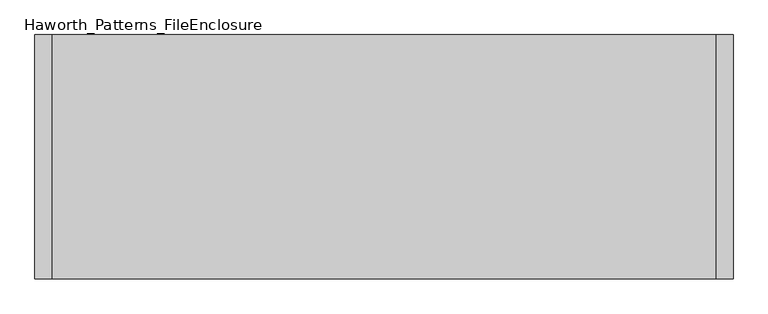
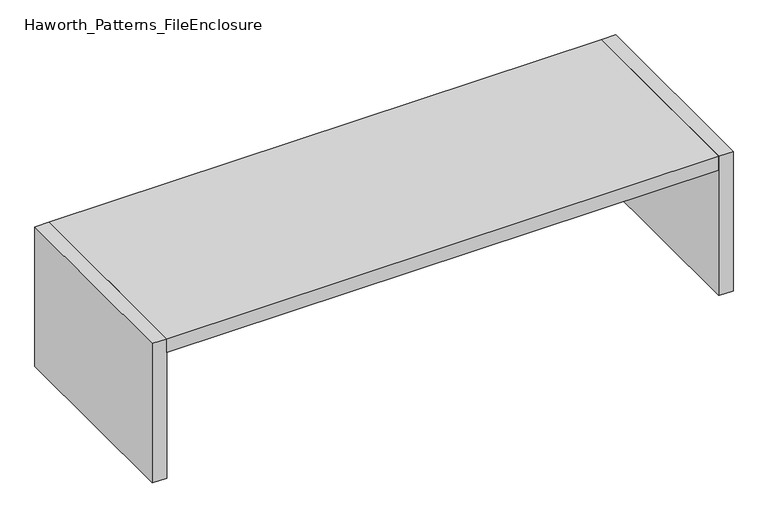
"""IFC4 building model written with IfcOpenShell, lengths in millimetres: furniture geometry, Haworth_Patterns_FileEnclosure."""

from ifc_helpers import new_model, si_unit, frame, origin, origin_with_axes, place, context, project, spatial, polyline, outline, extrude, source, transform, mapped, element, save


def haworth_patterns_fileenclosure_ea72d257(model_context):
    return source(origin(), model_context, "Body", "SweptSolid", [
        extrude(outline(polyline([(1447.8, 0.0), (1447.8, -1066.8), (-1447.8, -1066.8), (-1447.8, 0.0), (1447.8, 0.0)])), frame((0.0, 0.0, 698.5), z_axis=(0.0, 0.0, 1.0), x_axis=(1.0, 0.0, 0.0)), (0.0, 0.0, 1.0), 76.2),
        extrude(outline(polyline([(1447.8, 0.0), (1524.0, 0.0), (1524.0, -1066.8), (1447.8, -1066.8), (1447.8, 0.0)])), origin_with_axes(), (0.0, 0.0, 1.0), 774.7),
        extrude(outline(polyline([(-1447.8, 0.0), (-1447.8, -1066.8), (-1524.0, -1066.8), (-1524.0, 0.0), (-1447.8, 0.0)])), origin_with_axes(), (0.0, 0.0, 1.0), 774.7),
    ])


if __name__ == "__main__":
    model = new_model("IFC4")
    model_context = context("Model", 3, world=origin())
    ifc_project = project(units=[si_unit("LENGTHUNIT", "METRE", prefix="MILLI")], contexts=[model_context])
    site = spatial("IfcSite", under=ifc_project)
    building = spatial("IfcBuilding", under=site)
    placement = place(None, origin())
    haworth_patterns_fileenclosure_shape = haworth_patterns_fileenclosure_ea72d257(model_context)
    element("IfcFurniture", 1, ObjectType="Haworth_Patterns_FileEnclosure", at=placement, inside=building, context=model_context, shape_type="MappedRepresentation", body=[
        mapped(haworth_patterns_fileenclosure_shape, transform((0.0, 0.0, 0.0), x_axis=(1.0, 0.0, 0.0), y_axis=(0.0, 1.0, 0.0), z_axis=(0.0, 0.0, 1.0))),
    ])
    save(model, "model.ifc")
